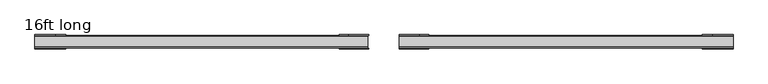
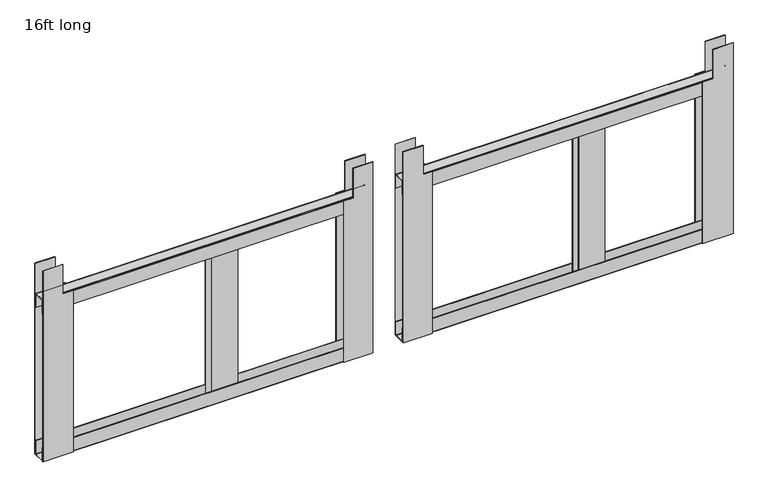
"""IFC4 building model written with IfcOpenShell, lengths in millimetres: furniture geometry, 16ft long."""

from ifc_helpers import new_model, si_unit, point, frame, frame_2d, origin, place, context, project, spatial, polyline, circle_curve, trimmed, segment, composite_curve, outline, extrude, source, transform, mapped, element, save


def furniture_16ft_long_1ecdc612(model_context):
    return source(origin(), model_context, "Body", "SweptSolid", [
        extrude(outline(polyline([(1949.3542915, 38.1), (1442.0654915, 38.1), (1442.0654915, 111.0996), (1871.3254915, 111.0996), (1871.3254915, 88.1126), (1949.3542915, 88.1126), (1949.3542915, 38.1)])), frame((0.0, 16.1917968, 0.0), z_axis=(0.0, 1.0, 0.0), x_axis=(0.0, 0.0, 1.0)), (0.0, 0.0, 1.0), 1.5199994),
        extrude(outline(polyline([(1949.3542915, 38.1), (1442.0654915, 38.1), (1442.0654915, 111.0996), (1871.3254915, 111.0996), (1871.3254915, 88.1126), (1949.3542915, 88.1126), (1949.3542915, 38.1)])), frame((0.0, -17.6162996, 0.0), z_axis=(0.0, 1.0, 0.0), x_axis=(0.0, 0.0, 1.0)), (0.0, 0.0, 1.0), 1.5199994),
        extrude(outline(polyline([(1949.3542915, 867.1941), (1949.3542915, 817.1815), (1871.3254915, 817.1815), (1871.3254915, 790.9941), (1442.0654915, 790.9941), (1442.0654915, 867.1941), (1949.3542915, 867.1941)])), frame((0.0, 16.1917968, 0.0), z_axis=(0.0, 1.0, 0.0), x_axis=(0.0, 0.0, 1.0)), (0.0, 0.0, 1.0), 1.5199994),
        extrude(outline(polyline([(1949.3542915, 867.1941), (1949.3542915, 817.1815), (1871.3254915, 817.1815), (1871.3254915, 790.9941), (1442.0654915, 790.9941), (1442.0654915, 867.1941), (1949.3542915, 867.1941)])), frame((0.0, -17.6162996, 0.0), z_axis=(0.0, 1.0, 0.0), x_axis=(0.0, 0.0, 1.0)), (0.0, 0.0, 1.0), 1.5199994),
        extrude(outline(polyline([(481.1014, 14.0407025), (546.1, 14.0407025), (546.1, 12.5207031), (481.1014, 12.5207031), (481.1014, 14.0407025)])), frame((0.0, 0.0, 1456.1140775), z_axis=(0.0, 0.0, 1.0), x_axis=(1.0, 0.0, 0.0)), (0.0, 0.0, 1.0), 397.9624124),
        extrude(outline(polyline([(546.1, -14.0444246), (481.1014, -14.0444246), (481.1014, -12.5244252), (546.1, -12.5244252), (546.1, -14.0444246)])), frame((0.0, 0.0, 1456.1140775), z_axis=(0.0, 0.0, 1.0), x_axis=(1.0, 0.0, 0.0)), (0.0, 0.0, 1.0), 397.9624124),
        extrude(outline(composite_curve([segment(polyline([(-15.5954995, 1479.0321189), (-14.0755001, 1479.0321189), (-14.0755001, 1444.5178774)]), True, "CONTINUOUS"), segment(trimmed(circle_curve(frame_2d((-13.0206916, 1444.5178774)), 1.0548085), [point((-14.0755001, 1444.5178774))], [point((-13.0206916, 1443.4630689))], True, "CARTESIAN"), True, "CONTINUOUS"), segment(polyline([(-13.0206916, 1443.4630689), (13.1161882, 1443.4630689)]), True, "CONTINUOUS"), segment(trimmed(circle_curve(frame_2d((13.1161882, 1444.4223807)), 0.9593119), [point((13.1161882, 1443.4630689))], [point((14.0755001, 1444.4223807))], True, "CARTESIAN"), True, "CONTINUOUS"), segment(polyline([(14.0755001, 1444.4223807), (14.0755001, 1478.8348063), (15.5956994, 1478.8348063), (15.5956994, 1444.2255503), (14.9267517, 1442.6118127), (13.3134997, 1441.9430672), (-13.3134997, 1441.9430672), (-14.9267529, 1442.6118127), (-15.5954995, 1444.2250682), (-15.5954995, 1479.0321189)]), True, "CONTINUOUS")], self_intersect=False)), frame((38.1, 0.0, 0.0), z_axis=(1.0, 0.0, 0.0), x_axis=(0.0, 1.0, 0.0)), (0.0, 0.0, 1.0), 829.0941),
        extrude(outline(composite_curve([segment(polyline([(-15.5954995, 1834.2374937), (-15.5954995, 1869.0445444), (-14.9267529, 1870.6577999), (-13.3134997, 1871.3265454), (13.3134997, 1871.3265454), (14.9267517, 1870.6577999), (15.5956994, 1869.0440623), (15.5956994, 1834.4348063), (14.0755001, 1834.4348063), (14.0755001, 1868.8472319)]), True, "CONTINUOUS"), segment(trimmed(circle_curve(frame_2d((13.1161882, 1868.8472319)), 0.9593119), [point((14.0755001, 1868.8472319))], [point((13.1161882, 1869.8065437))], True, "CARTESIAN"), True, "CONTINUOUS"), segment(polyline([(13.1161882, 1869.8065437), (-13.0206916, 1869.8065437)]), True, "CONTINUOUS"), segment(trimmed(circle_curve(frame_2d((-13.0206916, 1868.7517352)), 1.0548085), [point((-13.0206916, 1869.8065437))], [point((-14.0755001, 1868.7517352))], True, "CARTESIAN"), True, "CONTINUOUS"), segment(polyline([(-14.0755001, 1868.7517352), (-14.0755001, 1834.2374937), (-15.5954995, 1834.2374937)]), True, "CONTINUOUS")], self_intersect=False)), frame((38.1, 0.0, 0.0), z_axis=(1.0, 0.0, 0.0), x_axis=(0.0, 1.0, 0.0)), (0.0, 0.0, 1.0), 829.0941),
        extrude(outline(composite_curve([segment(polyline([(-15.5954995, 1479.0321189), (-14.0755001, 1479.0321189), (-14.0755001, 1444.5178774)]), True, "CONTINUOUS"), segment(trimmed(circle_curve(frame_2d((-13.0206916, 1444.5178774)), 1.0548085), [point((-14.0755001, 1444.5178774))], [point((-13.0206916, 1443.4630689))], True, "CARTESIAN"), True, "CONTINUOUS"), segment(polyline([(-13.0206916, 1443.4630689), (13.1161882, 1443.4630689)]), True, "CONTINUOUS"), segment(trimmed(circle_curve(frame_2d((13.1161882, 1444.4223807)), 0.9593119), [point((13.1161882, 1443.4630689))], [point((14.0755001, 1444.4223807))], True, "CARTESIAN"), True, "CONTINUOUS"), segment(polyline([(14.0755001, 1444.4223807), (14.0755001, 1478.8348063), (15.5956994, 1478.8348063), (15.5956994, 1444.2255503), (14.9267517, 1442.6118127), (13.3134997, 1441.9430672), (-13.3134997, 1441.9430672), (-14.9267529, 1442.6118127), (-15.5954995, 1444.2250682), (-15.5954995, 1479.0321189)]), True, "CONTINUOUS")], self_intersect=False)), frame((-867.1941, 0.0, 0.0), z_axis=(1.0, 0.0, 0.0), x_axis=(0.0, 1.0, 0.0)), (0.0, 0.0, 1.0), 826.5651119),
        extrude(outline(polyline([(0.0, -64.9986), (0.0, 0.0), (1.5199994, 0.0), (1.5199994, -64.9986), (0.0, -64.9986)])), frame((-375.5898, 14.0407025, 1456.1140775), z_axis=(-3.5360538256754603e-12, 0.0, 1.0), x_axis=(0.0, -1.0, 0.0)), (0.0, 0.0, 1.0), 397.9624124),
        extrude(outline(polyline([(0.0, -64.9986), (0.0, 0.0), (1.5199994, 0.0), (1.5199994, -64.9986), (0.0, -64.9986)])), frame((-440.5884, -14.0444246, 1456.1140775), z_axis=(-3.336135588181441e-12, 0.0, 1.0), x_axis=(0.0, 1.0, 0.0)), (0.0, 0.0, 1.0), 397.9624124),
        extrude(outline(polyline([(1949.3542915, -38.1), (1949.3542915, -88.1126), (1871.3254915, -88.1126), (1871.3254915, -111.0996), (1442.0654915, -111.0996), (1442.0654915, -38.1), (1949.3542915, -38.1)])), frame((0.0, 16.1917968, 0.0), z_axis=(0.0, 1.0, 0.0), x_axis=(0.0, 0.0, 1.0)), (0.0, 0.0, 1.0), 1.5199994),
        extrude(outline(polyline([(1949.3542915, -867.1941), (1442.0654915, -867.1941), (1442.0654915, -790.9941), (1871.3254915, -790.9941), (1871.3254915, -817.1815), (1949.3542915, -817.1815), (1949.3542915, -867.1941)])), frame((0.0, 16.1917968, 0.0), z_axis=(0.0, 1.0, 0.0), x_axis=(0.0, 0.0, 1.0)), (0.0, 0.0, 1.0), 1.5199994),
        extrude(outline(polyline([(1949.3542915, -867.1941), (1442.0654915, -867.1941), (1442.0654915, -790.9941), (1871.3254915, -790.9941), (1871.3254915, -817.1815), (1949.3542915, -817.1815), (1949.3542915, -867.1941)])), frame((0.0, -17.6162996, 0.0), z_axis=(0.0, 1.0, 0.0), x_axis=(0.0, 0.0, 1.0)), (0.0, 0.0, 1.0), 1.5199994),
        extrude(outline(polyline([(1949.3542915, -38.1), (1949.3542915, -88.1126), (1871.3254915, -88.1126), (1871.3254915, -111.0996), (1442.0654915, -111.0996), (1442.0654915, -38.1), (1949.3542915, -38.1)])), frame((0.0, -17.6162996, 0.0), z_axis=(0.0, 1.0, 0.0), x_axis=(0.0, 0.0, 1.0)), (0.0, 0.0, 1.0), 1.5199994),
        extrude(outline(composite_curve([segment(polyline([(-15.5954995, 1834.2374937), (-15.5954995, 1869.0445444), (-14.9267529, 1870.6577999), (-13.3134997, 1871.3265454), (13.3134997, 1871.3265454), (14.9267517, 1870.6577999), (15.5956994, 1869.0440623), (15.5956994, 1834.4348063), (14.0755001, 1834.4348063), (14.0755001, 1868.8472319)]), True, "CONTINUOUS"), segment(trimmed(circle_curve(frame_2d((13.1161882, 1868.8472319)), 0.9593119), [point((14.0755001, 1868.8472319))], [point((13.1161882, 1869.8065437))], True, "CARTESIAN"), True, "CONTINUOUS"), segment(polyline([(13.1161882, 1869.8065437), (-13.0206916, 1869.8065437)]), True, "CONTINUOUS"), segment(trimmed(circle_curve(frame_2d((-13.0206916, 1868.7517352)), 1.0548085), [point((-13.0206916, 1869.8065437))], [point((-14.0755001, 1868.7517352))], True, "CARTESIAN"), True, "CONTINUOUS"), segment(polyline([(-14.0755001, 1868.7517352), (-14.0755001, 1834.2374937), (-15.5954995, 1834.2374937)]), True, "CONTINUOUS")], self_intersect=False)), frame((-867.1941, 0.0, 0.0), z_axis=(1.0, 0.0, 0.0), x_axis=(0.0, 1.0, 0.0)), (0.0, 0.0, 1.0), 826.5651119),
    ])


if __name__ == "__main__":
    model = new_model("IFC4")
    model_context = context("Model", 3, world=origin())
    ifc_project = project(units=[si_unit("LENGTHUNIT", "METRE", prefix="MILLI")], contexts=[model_context])
    site = spatial("IfcSite", under=ifc_project)
    building = spatial("IfcBuilding", under=site)
    placement = place(None, origin())
    furniture_16ft_long_shape = furniture_16ft_long_1ecdc612(model_context)
    element("IfcFurniture", 1, ObjectType="16ft long", at=placement, inside=building, context=model_context, shape_type="MappedRepresentation", body=[
        mapped(furniture_16ft_long_shape, transform((0.0, 0.0, 0.0), x_axis=(1.0, 0.0, 0.0), y_axis=(0.0, 1.0, 0.0), z_axis=(0.0, 0.0, 1.0))),
    ])
    save(model, "model.ifc")
